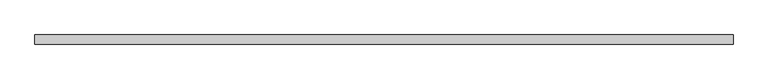
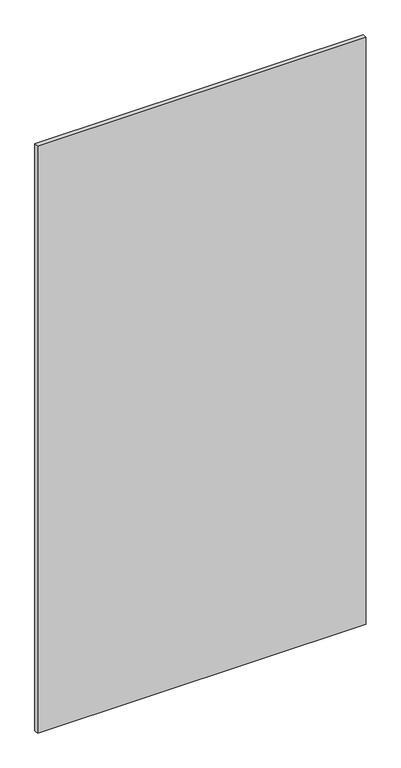
"""IFC4 building model written with IfcOpenShell, lengths in millimetres: plate geometry."""

import ifcopenshell
import ifcopenshell.guid

model = None  # the IFC model being written
_history = None  # IfcOwnerHistory: only IFC2X3 demands one
_inside = {}  # id of a spatial element -> (the spatial element, [elements in it])
_under = {}  # id of a project, library or spatial element -> (it, [spatial elements below it])
_declared = {}  # id of a project -> (the project, [libraries it declares])
_typed = {}  # id of a type object -> (the type object, [elements of that type])
_made_of = {}  # id of a material, layer set ... -> (it, [elements and type objects made of it])


def new_model(schema):
    """Start an empty IFC model of exactly this schema.

    Asked for "IFC4X3", IfcOpenShell would pick the latest addendum, in which some entities
    have other attributes; the version numbers below select the first issue.
    IFC2X3 requires an IfcOwnerHistory on every rooted entity: one is made here for all.
    """
    global model, _history
    if schema == "IFC4X3":
        model = ifcopenshell.file(schema_version=(4, 3, 0, 0))
    else:
        model = ifcopenshell.file(schema=schema)
    _inside.clear()
    _under.clear()
    _declared.clear()
    _typed.clear()
    _made_of.clear()
    _history = None
    if model.schema == "IFC2X3":
        org = make("IfcOrganization", Name="unknown")
        user = make(
            "IfcPersonAndOrganization",
            ThePerson=make("IfcPerson", FamilyName="unknown"),
            TheOrganization=org,
        )
        app = make(
            "IfcApplication",
            ApplicationDeveloper=org,
            Version="unknown",
            ApplicationFullName="unknown",
            ApplicationIdentifier="unknown",
        )
        _history = make(
            "IfcOwnerHistory",
            OwningUser=user,
            OwningApplication=app,
            ChangeAction="ADDED",
            CreationDate=0,
        )
    return model


def make(cls, **values):
    """One entity of the class cls with the attributes given. An attribute that is None is left unset."""
    return model.create_entity(
        cls, **{name: value for name, value in values.items() if value is not None}
    )


def rooted(cls, **values):
    """An entity with a GlobalId (a new one), such as an element, a storey or a relation."""
    return make(cls, GlobalId=ifcopenshell.guid.new(), OwnerHistory=_history, **values)


def si_unit(unit_type, name, prefix=None):
    """IfcSIUnit, for example si_unit("LENGTHUNIT", "METRE", prefix="MILLI")."""
    return make("IfcSIUnit", UnitType=unit_type, Prefix=prefix, Name=name)


def assignment(units):
    """IfcUnitAssignment: the units of a project."""
    return None if units is None else make("IfcUnitAssignment", Units=units)


def point(xyz):
    """IfcCartesianPoint."""
    return None if xyz is None else make("IfcCartesianPoint", Coordinates=xyz)


def direction(xyz):
    """IfcDirection."""
    return None if xyz is None else make("IfcDirection", DirectionRatios=xyz)


def frame(location, z_axis=None, x_axis=None):
    """IfcAxis2Placement3D, a coordinate frame: its origin and axes. An axis left out is left unset."""
    return make(
        "IfcAxis2Placement3D",
        Location=point(location),
        Axis=direction(z_axis),
        RefDirection=direction(x_axis),
    )


def origin():
    """The frame at (0, 0, 0) with its axes left unset."""
    return frame((0.0, 0.0, 0.0))


def origin_with_axes():
    """The frame at (0, 0, 0) with the z axis (0, 0, 1) and the x axis (1, 0, 0) written out."""
    return frame((0.0, 0.0, 0.0), z_axis=(0.0, 0.0, 1.0), x_axis=(1.0, 0.0, 0.0))


def place(relative_to, where):
    """IfcLocalPlacement: puts the frame where relative to a parent placement (None: the world)."""
    return make(
        "IfcLocalPlacement", PlacementRelTo=relative_to, RelativePlacement=where
    )


def context(
    kind, dimensions, precision=None, world=None, true_north=None, identifier=None
):
    """IfcGeometricRepresentationContext, for example the 3D "Model" context."""
    return make(
        "IfcGeometricRepresentationContext",
        ContextIdentifier=identifier,
        ContextType=kind,
        CoordinateSpaceDimension=dimensions,
        Precision=precision,
        WorldCoordinateSystem=world,
        TrueNorth=true_north,
    )


def project(units=None, contexts=None):
    """IfcProject with its units and contexts."""
    return rooted(
        "IfcProject",
        Name="project",
        RepresentationContexts=contexts,
        UnitsInContext=assignment(units),
    )


def spatial(cls, under=None, at=None, **own):
    """A site, building, storey or space (cls), placed at a placement, below another one or the project."""
    s = rooted(cls, ObjectPlacement=at, **own)
    if under is not None:
        _under.setdefault(under.id(), (under, []))[1].append(s)
    return s


def polyline(points):
    """IfcPolyline through the points."""
    return make("IfcPolyline", Points=[point(p) for p in points])


def outline(outer, holes=None, kind="AREA"):
    """IfcArbitraryClosedProfileDef: a profile drawn as a closed curve; with holes, ...WithVoids."""
    if holes is None:
        return make("IfcArbitraryClosedProfileDef", ProfileType=kind, OuterCurve=outer)
    return make(
        "IfcArbitraryProfileDefWithVoids",
        ProfileType=kind,
        OuterCurve=outer,
        InnerCurves=holes,
    )


def extrude(swept, where, along, depth):
    """IfcExtrudedAreaSolid: the profile swept, set in the frame where, extruded along a direction by depth."""
    return make(
        "IfcExtrudedAreaSolid",
        SweptArea=swept,
        Position=where,
        ExtrudedDirection=direction(along),
        Depth=depth,
    )


def shape(context_of_items, identifier, shape_type, items):
    """IfcShapeRepresentation: the items that make up one representation, for example the "Body"."""
    return make(
        "IfcShapeRepresentation",
        ContextOfItems=context_of_items,
        RepresentationIdentifier=identifier,
        RepresentationType=shape_type,
        Items=items,
    )


def source(mapping_origin, context_of_items, identifier, shape_type, items):
    """IfcRepresentationMap: a shape defined once, which mapped items show again and again."""
    return make(
        "IfcRepresentationMap",
        MappingOrigin=mapping_origin,
        MappedRepresentation=shape(context_of_items, identifier, shape_type, items),
    )


def transform(
    local_origin,
    x_axis=None,
    y_axis=None,
    z_axis=None,
    scale=None,
    scale2=None,
    scale3=None,
    uniform=True,
):
    """IfcCartesianTransformationOperator3D, or its non-uniform kind. x_axis, y_axis, z_axis: its Axis1, 2, 3."""
    if uniform:
        return make(
            "IfcCartesianTransformationOperator3D",
            Axis1=direction(x_axis),
            Axis2=direction(y_axis),
            LocalOrigin=point(local_origin),
            Scale=scale,
            Axis3=direction(z_axis),
        )
    return make(
        "IfcCartesianTransformationOperator3DnonUniform",
        Axis1=direction(x_axis),
        Axis2=direction(y_axis),
        LocalOrigin=point(local_origin),
        Scale=scale,
        Axis3=direction(z_axis),
        Scale2=scale2,
        Scale3=scale3,
    )


def mapped(mapping_source, mapping_target):
    """IfcMappedItem: shows the shape of a source again, moved by a transform."""
    return make(
        "IfcMappedItem", MappingSource=mapping_source, MappingTarget=mapping_target
    )


def made_of(thing, what):
    """Note that an element or type object is made of a material, layer set ...; save() writes the relation."""
    if what is not None:
        _made_of.setdefault(what.id(), (what, []))[1].append(thing)
    return thing


def element(
    cls,
    number,
    at=None,
    inside=None,
    cuts=None,
    type_object=None,
    material=None,
    context=None,
    identifier="Body",
    shape_type=None,
    held_by="IfcProductDefinitionShape",
    body=None,
    shapes=None,
    **own,
):
    """One element of the class cls, such as IfcWall. Its Tag is "e" and its number.

    at: its placement. inside: the storey or other place that contains it. cuts: it is an
    opening in that element (IfcRelVoidsElement). A single representation is given by context,
    identifier, shape_type and body (its items); several are given by shapes. held_by: the class
    of the entity that holds the representations. save() writes the other relations.
    """
    e = rooted(cls, Tag="e%d" % number, ObjectPlacement=at, **own)
    if body is not None:
        shapes = [shape(context, identifier, shape_type, body)]
    if shapes is not None:
        e.Representation = make(held_by, Representations=shapes)
    if inside is not None:
        _inside.setdefault(inside.id(), (inside, []))[1].append(e)
    if cuts is not None:
        rooted(
            "IfcRelVoidsElement", RelatingBuildingElement=cuts, RelatedOpeningElement=e
        )
    if type_object is not None:
        _typed.setdefault(type_object.id(), (type_object, []))[1].append(e)
    return made_of(e, material)


def aggregate(whole, parts):
    """IfcRelAggregates: a whole, such as a stair, and the parts it consists of."""
    return rooted("IfcRelAggregates", RelatingObject=whole, RelatedObjects=parts)


def save(model, path):
    """Write the relations noted so far, then the file.

    IfcRelAggregates (storeys below a building ...), IfcRelContainedInSpatialStructure (elements
    in a storey), IfcRelDefinesByType, IfcRelAssociatesMaterial and IfcRelDeclares: one each for
    every whole, place, type object, material and project.
    """
    for whole, parts in _under.values():
        aggregate(whole, parts)
    for where, things in _inside.values():
        rooted(
            "IfcRelContainedInSpatialStructure",
            RelatedElements=things,
            RelatingStructure=where,
        )
    for kind, things in _typed.values():
        rooted("IfcRelDefinesByType", RelatedObjects=things, RelatingType=kind)
    for what, things in _made_of.values():
        rooted("IfcRelAssociatesMaterial", RelatedObjects=things, RelatingMaterial=what)
    for by, libraries in _declared.values():
        rooted("IfcRelDeclares", RelatingContext=by, RelatedDefinitions=libraries)
    model.write(path)


def plate_0b769a90(model_context):
    return source(origin(), model_context, "Body", "SweptSolid", [
        extrude(outline(polyline([(915.0000002, 24.5), (-915.0000002, 24.5), (-915.0000002, 49.5), (915.0000002, 49.5), (915.0000002, 24.5)])), origin_with_axes(), (0.0, 0.0, 1.0), 3450.0),
    ])


if __name__ == "__main__":
    model = new_model("IFC4")
    model_context = context("Model", 3, world=origin())
    ifc_project = project(units=[si_unit("LENGTHUNIT", "METRE", prefix="MILLI")], contexts=[model_context])
    site = spatial("IfcSite", under=ifc_project)
    building = spatial("IfcBuilding", under=site)
    placement = place(None, origin())
    plate_shape = plate_0b769a90(model_context)
    element("IfcPlate", 1, at=placement, inside=building, context=model_context, shape_type="MappedRepresentation", body=[
        mapped(plate_shape, transform((0.0, 0.0, 0.0), x_axis=(1.0, 0.0, 0.0), y_axis=(0.0, 1.0, 0.0), z_axis=(0.0, 0.0, 1.0))),
    ])
    save(model, "model.ifc")
